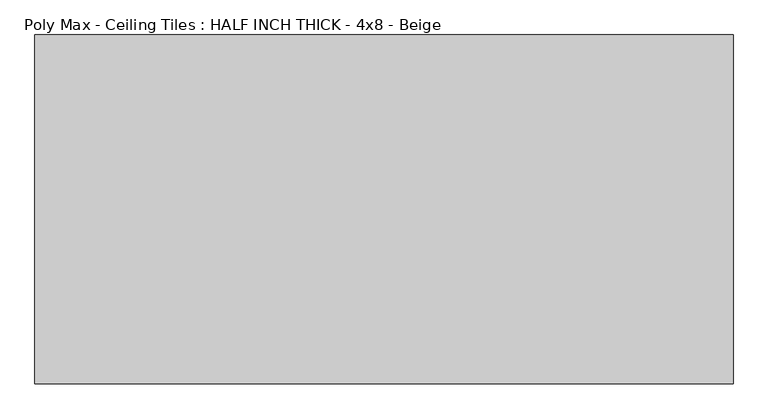
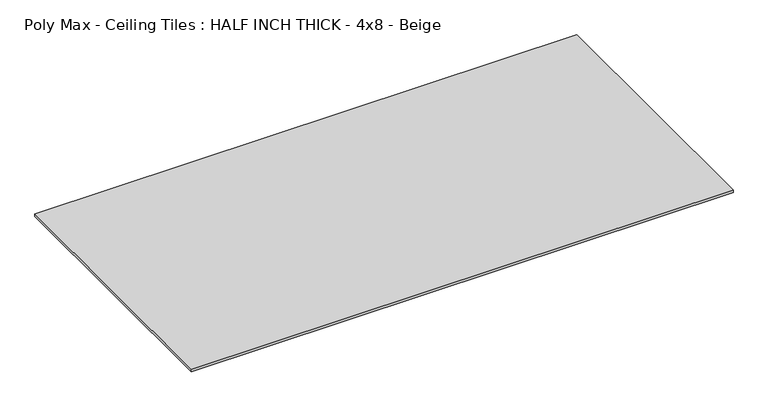
"""IFC4 building model written with IfcOpenShell, lengths in millimetres: proxy geometry, Poly Max - Ceiling Tiles : HALF INCH THICK - 4x8 - Beige."""

from ifc_helpers import new_model, si_unit, origin, origin_with_axes, place, context, project, spatial, polyline, outline, extrude, source, transform, mapped, element, save


def poly_max_ceiling_tiles_half_inch_thick_4x8_beige_cbdc7e7f(model_context):
    return source(origin(), model_context, "Body", "SweptSolid", [
        extrude(outline(polyline([(-1219.2, 609.6), (1219.2, 609.6), (1219.2, -609.6), (-1219.2, -609.6), (-1219.2, 609.6)])), origin_with_axes(), (0.0, 0.0, 1.0), 12.7),
    ])


if __name__ == "__main__":
    model = new_model("IFC4")
    model_context = context("Model", 3, world=origin())
    ifc_project = project(units=[si_unit("LENGTHUNIT", "METRE", prefix="MILLI")], contexts=[model_context])
    site = spatial("IfcSite", under=ifc_project)
    building = spatial("IfcBuilding", under=site)
    placement = place(None, origin())
    poly_max_ceiling_tiles_half_inch_thick_4x8_beige_shape = poly_max_ceiling_tiles_half_inch_thick_4x8_beige_cbdc7e7f(model_context)
    element("IfcBuildingElementProxy", 1, Name="Poly Max - Ceiling Tiles : HALF INCH THICK - 4x8 - Beige", ObjectType="Poly Max - Ceiling Tiles : HALF INCH THICK - 4x8 - Beige", at=placement, inside=building, context=model_context, shape_type="MappedRepresentation", body=[
        mapped(poly_max_ceiling_tiles_half_inch_thick_4x8_beige_shape, transform((0.0, 0.0, 0.0), x_axis=(1.0, 0.0, 0.0), y_axis=(0.0, 1.0, 0.0), z_axis=(0.0, 0.0, 1.0))),
    ])
    save(model, "model.ifc")
